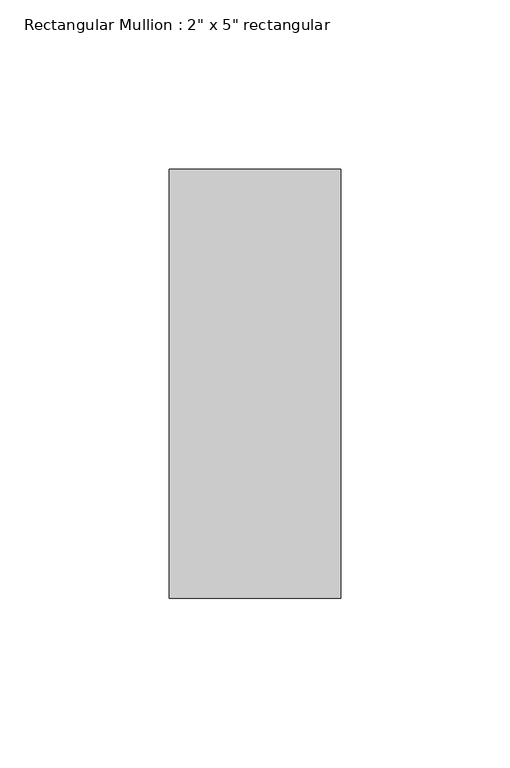
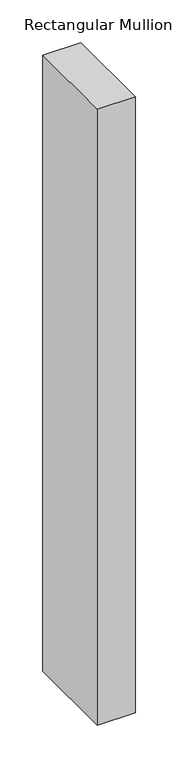
"""IFC4 building model written with IfcOpenShell, lengths in millimetres: member geometry."""

from ifc_helpers import new_model, si_unit, frame, origin, place, context, project, spatial, polyline, outline, extrude, source, transform, mapped, element, save


def member_6a065895(model_context):
    return source(origin(), model_context, "Body", "SweptSolid", [
        extrude(outline(polyline([(0.0, 63.5), (0.0, -63.5), (-50.8, -63.5), (-50.8, 63.5), (0.0, 63.5)])), frame((0.0, 0.0, -876.3), z_axis=(0.0, 0.0, 1.0), x_axis=(1.0, 0.0, 0.0)), (0.0, 0.0, 1.0), 876.3),
    ])


if __name__ == "__main__":
    model = new_model("IFC4")
    model_context = context("Model", 3, world=origin())
    ifc_project = project(units=[si_unit("LENGTHUNIT", "METRE", prefix="MILLI")], contexts=[model_context])
    site = spatial("IfcSite", under=ifc_project)
    building = spatial("IfcBuilding", under=site)
    placement = place(None, origin())
    member_shape = member_6a065895(model_context)
    element("IfcMember", 1, ObjectType="Rectangular Mullion : 2\" x 5\" rectangular", at=placement, inside=building, context=model_context, shape_type="MappedRepresentation", body=[
        mapped(member_shape, transform((0.0, 0.0, 0.0), x_axis=(1.0, 0.0, 0.0), y_axis=(0.0, 1.0, 0.0), z_axis=(0.0, 0.0, 1.0))),
    ])
    save(model, "model.ifc")
